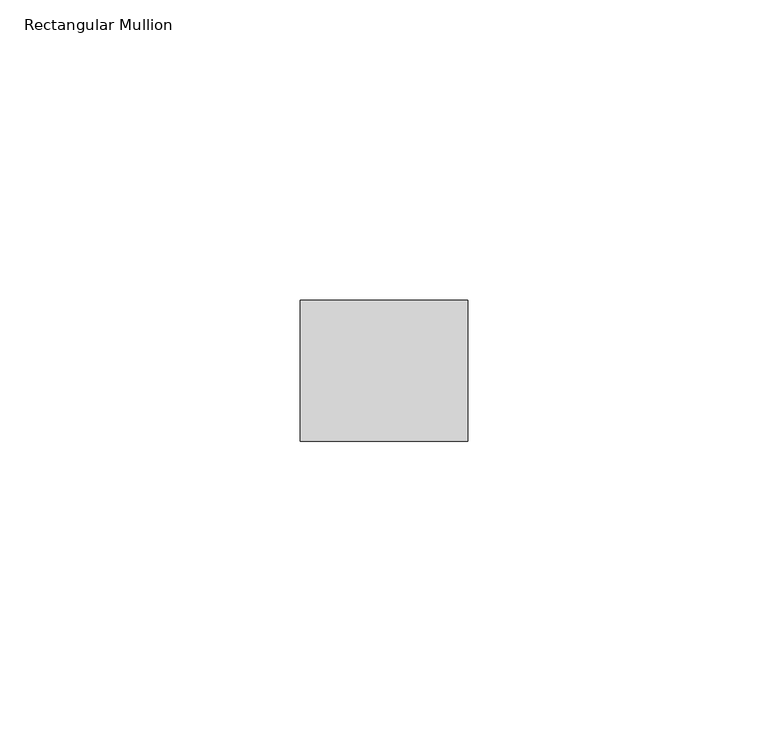
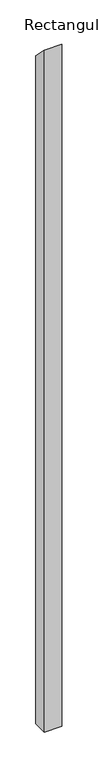
"""IFC4 building model written with IfcOpenShell, lengths in millimetres: member geometry, Rectangular Mullion."""

from ifc_helpers import new_model, si_unit, frame, origin, place, context, project, spatial, polyline, outline, extrude, source, transform, mapped, element, save


def rectangular_mullion_c408845f(model_context):
    return source(origin(), model_context, "Body", "SweptSolid", [
        extrude(outline(polyline([(-11.7474999, 11.7202989), (11.7474999, -11.7202989), (11.7474999, -1144.4268193), (-11.7474999, -1144.451657), (-11.7474999, 11.7202989)])), frame((-27.94, 0.0, 0.0), z_axis=(1.0, 0.0, 0.0), x_axis=(0.0, 1.0, 0.0)), (0.0, 0.0, 1.0), 27.94),
    ])


if __name__ == "__main__":
    model = new_model("IFC4")
    model_context = context("Model", 3, world=origin())
    ifc_project = project(units=[si_unit("LENGTHUNIT", "METRE", prefix="MILLI")], contexts=[model_context])
    site = spatial("IfcSite", under=ifc_project)
    building = spatial("IfcBuilding", under=site)
    placement = place(None, origin())
    rectangular_mullion_shape = rectangular_mullion_c408845f(model_context)
    element("IfcMember", 1, ObjectType="Rectangular Mullion", at=placement, inside=building, context=model_context, shape_type="MappedRepresentation", body=[
        mapped(rectangular_mullion_shape, transform((0.0, 0.0, 0.0), x_axis=(1.0, 0.0, 0.0), y_axis=(0.0, 1.0, 0.0), z_axis=(0.0, 0.0, 1.0))),
    ])
    save(model, "model.ifc")
